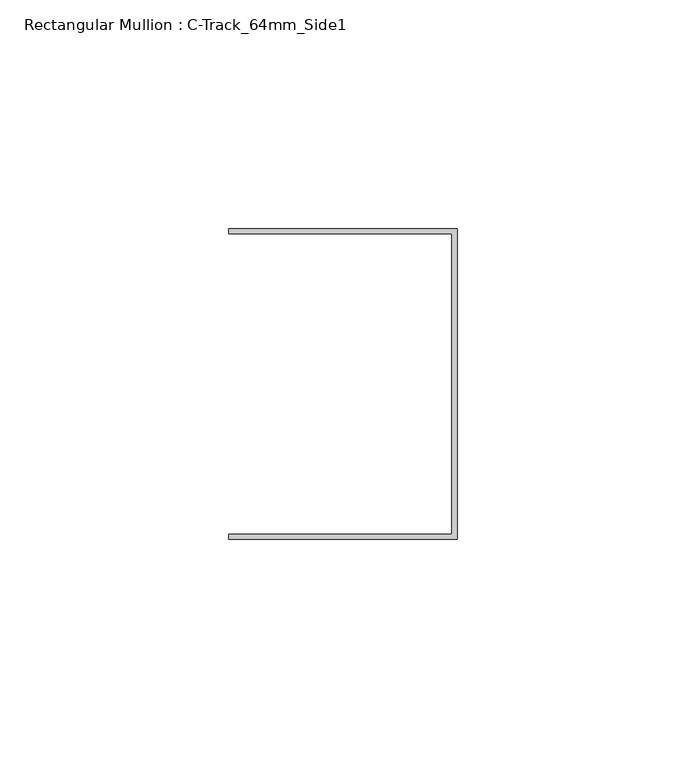
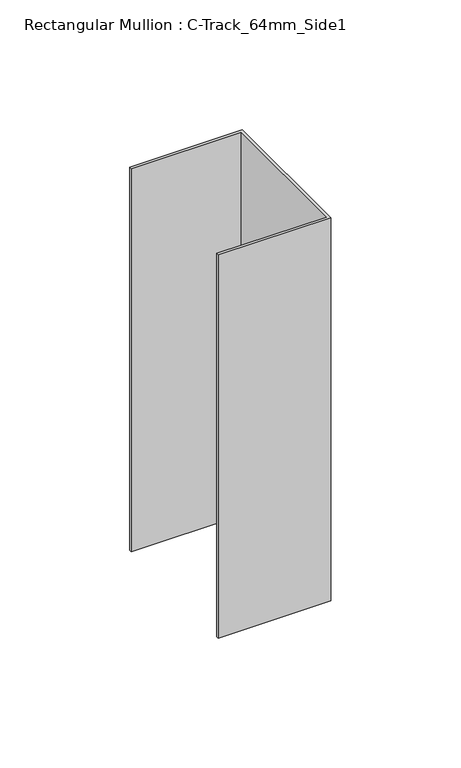
"""IFC4 building model written with IfcOpenShell, lengths in millimetres: member geometry, Rectangular Mullion : C-Track_64mm_Side1."""

import ifcopenshell
import ifcopenshell.guid

model = None  # the IFC model being written
_history = None  # IfcOwnerHistory: only IFC2X3 demands one
_inside = {}  # id of a spatial element -> (the spatial element, [elements in it])
_under = {}  # id of a project, library or spatial element -> (it, [spatial elements below it])
_declared = {}  # id of a project -> (the project, [libraries it declares])
_typed = {}  # id of a type object -> (the type object, [elements of that type])
_made_of = {}  # id of a material, layer set ... -> (it, [elements and type objects made of it])


def new_model(schema):
    """Start an empty IFC model of exactly this schema.

    Asked for "IFC4X3", IfcOpenShell would pick the latest addendum, in which some entities
    have other attributes; the version numbers below select the first issue.
    IFC2X3 requires an IfcOwnerHistory on every rooted entity: one is made here for all.
    """
    global model, _history
    if schema == "IFC4X3":
        model = ifcopenshell.file(schema_version=(4, 3, 0, 0))
    else:
        model = ifcopenshell.file(schema=schema)
    _inside.clear()
    _under.clear()
    _declared.clear()
    _typed.clear()
    _made_of.clear()
    _history = None
    if model.schema == "IFC2X3":
        org = make("IfcOrganization", Name="unknown")
        user = make(
            "IfcPersonAndOrganization",
            ThePerson=make("IfcPerson", FamilyName="unknown"),
            TheOrganization=org,
        )
        app = make(
            "IfcApplication",
            ApplicationDeveloper=org,
            Version="unknown",
            ApplicationFullName="unknown",
            ApplicationIdentifier="unknown",
        )
        _history = make(
            "IfcOwnerHistory",
            OwningUser=user,
            OwningApplication=app,
            ChangeAction="ADDED",
            CreationDate=0,
        )
    return model


def make(cls, **values):
    """One entity of the class cls with the attributes given. An attribute that is None is left unset."""
    return model.create_entity(
        cls, **{name: value for name, value in values.items() if value is not None}
    )


def rooted(cls, **values):
    """An entity with a GlobalId (a new one), such as an element, a storey or a relation."""
    return make(cls, GlobalId=ifcopenshell.guid.new(), OwnerHistory=_history, **values)


def si_unit(unit_type, name, prefix=None):
    """IfcSIUnit, for example si_unit("LENGTHUNIT", "METRE", prefix="MILLI")."""
    return make("IfcSIUnit", UnitType=unit_type, Prefix=prefix, Name=name)


def assignment(units):
    """IfcUnitAssignment: the units of a project."""
    return None if units is None else make("IfcUnitAssignment", Units=units)


def point(xyz):
    """IfcCartesianPoint."""
    return None if xyz is None else make("IfcCartesianPoint", Coordinates=xyz)


def direction(xyz):
    """IfcDirection."""
    return None if xyz is None else make("IfcDirection", DirectionRatios=xyz)


def frame(location, z_axis=None, x_axis=None):
    """IfcAxis2Placement3D, a coordinate frame: its origin and axes. An axis left out is left unset."""
    return make(
        "IfcAxis2Placement3D",
        Location=point(location),
        Axis=direction(z_axis),
        RefDirection=direction(x_axis),
    )


def origin():
    """The frame at (0, 0, 0) with its axes left unset."""
    return frame((0.0, 0.0, 0.0))


def place(relative_to, where):
    """IfcLocalPlacement: puts the frame where relative to a parent placement (None: the world)."""
    return make(
        "IfcLocalPlacement", PlacementRelTo=relative_to, RelativePlacement=where
    )


def context(
    kind, dimensions, precision=None, world=None, true_north=None, identifier=None
):
    """IfcGeometricRepresentationContext, for example the 3D "Model" context."""
    return make(
        "IfcGeometricRepresentationContext",
        ContextIdentifier=identifier,
        ContextType=kind,
        CoordinateSpaceDimension=dimensions,
        Precision=precision,
        WorldCoordinateSystem=world,
        TrueNorth=true_north,
    )


def project(units=None, contexts=None):
    """IfcProject with its units and contexts."""
    return rooted(
        "IfcProject",
        Name="project",
        RepresentationContexts=contexts,
        UnitsInContext=assignment(units),
    )


def spatial(cls, under=None, at=None, **own):
    """A site, building, storey or space (cls), placed at a placement, below another one or the project."""
    s = rooted(cls, ObjectPlacement=at, **own)
    if under is not None:
        _under.setdefault(under.id(), (under, []))[1].append(s)
    return s


def polyline(points):
    """IfcPolyline through the points."""
    return make("IfcPolyline", Points=[point(p) for p in points])


def outline(outer, holes=None, kind="AREA"):
    """IfcArbitraryClosedProfileDef: a profile drawn as a closed curve; with holes, ...WithVoids."""
    if holes is None:
        return make("IfcArbitraryClosedProfileDef", ProfileType=kind, OuterCurve=outer)
    return make(
        "IfcArbitraryProfileDefWithVoids",
        ProfileType=kind,
        OuterCurve=outer,
        InnerCurves=holes,
    )


def extrude(swept, where, along, depth):
    """IfcExtrudedAreaSolid: the profile swept, set in the frame where, extruded along a direction by depth."""
    return make(
        "IfcExtrudedAreaSolid",
        SweptArea=swept,
        Position=where,
        ExtrudedDirection=direction(along),
        Depth=depth,
    )


def shape(context_of_items, identifier, shape_type, items):
    """IfcShapeRepresentation: the items that make up one representation, for example the "Body"."""
    return make(
        "IfcShapeRepresentation",
        ContextOfItems=context_of_items,
        RepresentationIdentifier=identifier,
        RepresentationType=shape_type,
        Items=items,
    )


def source(mapping_origin, context_of_items, identifier, shape_type, items):
    """IfcRepresentationMap: a shape defined once, which mapped items show again and again."""
    return make(
        "IfcRepresentationMap",
        MappingOrigin=mapping_origin,
        MappedRepresentation=shape(context_of_items, identifier, shape_type, items),
    )


def transform(
    local_origin,
    x_axis=None,
    y_axis=None,
    z_axis=None,
    scale=None,
    scale2=None,
    scale3=None,
    uniform=True,
):
    """IfcCartesianTransformationOperator3D, or its non-uniform kind. x_axis, y_axis, z_axis: its Axis1, 2, 3."""
    if uniform:
        return make(
            "IfcCartesianTransformationOperator3D",
            Axis1=direction(x_axis),
            Axis2=direction(y_axis),
            LocalOrigin=point(local_origin),
            Scale=scale,
            Axis3=direction(z_axis),
        )
    return make(
        "IfcCartesianTransformationOperator3DnonUniform",
        Axis1=direction(x_axis),
        Axis2=direction(y_axis),
        LocalOrigin=point(local_origin),
        Scale=scale,
        Axis3=direction(z_axis),
        Scale2=scale2,
        Scale3=scale3,
    )


def mapped(mapping_source, mapping_target):
    """IfcMappedItem: shows the shape of a source again, moved by a transform."""
    return make(
        "IfcMappedItem", MappingSource=mapping_source, MappingTarget=mapping_target
    )


def made_of(thing, what):
    """Note that an element or type object is made of a material, layer set ...; save() writes the relation."""
    if what is not None:
        _made_of.setdefault(what.id(), (what, []))[1].append(thing)
    return thing


def element(
    cls,
    number,
    at=None,
    inside=None,
    cuts=None,
    type_object=None,
    material=None,
    context=None,
    identifier="Body",
    shape_type=None,
    held_by="IfcProductDefinitionShape",
    body=None,
    shapes=None,
    **own,
):
    """One element of the class cls, such as IfcWall. Its Tag is "e" and its number.

    at: its placement. inside: the storey or other place that contains it. cuts: it is an
    opening in that element (IfcRelVoidsElement). A single representation is given by context,
    identifier, shape_type and body (its items); several are given by shapes. held_by: the class
    of the entity that holds the representations. save() writes the other relations.
    """
    e = rooted(cls, Tag="e%d" % number, ObjectPlacement=at, **own)
    if body is not None:
        shapes = [shape(context, identifier, shape_type, body)]
    if shapes is not None:
        e.Representation = make(held_by, Representations=shapes)
    if inside is not None:
        _inside.setdefault(inside.id(), (inside, []))[1].append(e)
    if cuts is not None:
        rooted(
            "IfcRelVoidsElement", RelatingBuildingElement=cuts, RelatedOpeningElement=e
        )
    if type_object is not None:
        _typed.setdefault(type_object.id(), (type_object, []))[1].append(e)
    return made_of(e, material)


def aggregate(whole, parts):
    """IfcRelAggregates: a whole, such as a stair, and the parts it consists of."""
    return rooted("IfcRelAggregates", RelatingObject=whole, RelatedObjects=parts)


def save(model, path):
    """Write the relations noted so far, then the file.

    IfcRelAggregates (storeys below a building ...), IfcRelContainedInSpatialStructure (elements
    in a storey), IfcRelDefinesByType, IfcRelAssociatesMaterial and IfcRelDeclares: one each for
    every whole, place, type object, material and project.
    """
    for whole, parts in _under.values():
        aggregate(whole, parts)
    for where, things in _inside.values():
        rooted(
            "IfcRelContainedInSpatialStructure",
            RelatedElements=things,
            RelatingStructure=where,
        )
    for kind, things in _typed.values():
        rooted("IfcRelDefinesByType", RelatedObjects=things, RelatingType=kind)
    for what, things in _made_of.values():
        rooted("IfcRelAssociatesMaterial", RelatedObjects=things, RelatingMaterial=what)
    for by, libraries in _declared.values():
        rooted("IfcRelDeclares", RelatingContext=by, RelatedDefinitions=libraries)
    model.write(path)


def rectangular_mullion_c_track_64mm_side1_a6f024ea(model_context):
    return source(origin(), model_context, "Body", "SweptSolid", [
        extrude(outline(polyline([(-1.15, 32.85), (-50.0, 32.85), (-50.0, 34.0), (0.0, 34.0), (0.0, -34.0), (-50.0, -34.0), (-50.0, -32.85), (-1.15, -32.85), (-1.15, 32.85)])), frame((0.0, 0.0, -179.9999997), z_axis=(0.0, 0.0, 1.0), x_axis=(1.0, 0.0, 0.0)), (0.0, 0.0, 1.0), 179.9999997),
    ])


if __name__ == "__main__":
    model = new_model("IFC4")
    model_context = context("Model", 3, world=origin())
    ifc_project = project(units=[si_unit("LENGTHUNIT", "METRE", prefix="MILLI")], contexts=[model_context])
    site = spatial("IfcSite", under=ifc_project)
    building = spatial("IfcBuilding", under=site)
    placement = place(None, origin())
    rectangular_mullion_c_track_64mm_side1_shape = rectangular_mullion_c_track_64mm_side1_a6f024ea(model_context)
    element("IfcMember", 1, ObjectType="Rectangular Mullion : C-Track_64mm_Side1", at=placement, inside=building, context=model_context, shape_type="MappedRepresentation", body=[
        mapped(rectangular_mullion_c_track_64mm_side1_shape, transform((0.0, 0.0, 0.0), x_axis=(1.0, 0.0, 0.0), y_axis=(0.0, 1.0, 0.0), z_axis=(0.0, 0.0, 1.0))),
    ])
    save(model, "model.ifc")
